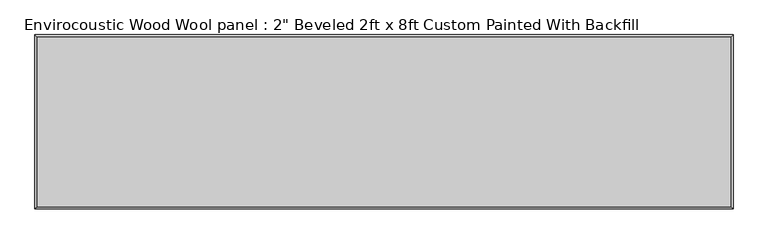
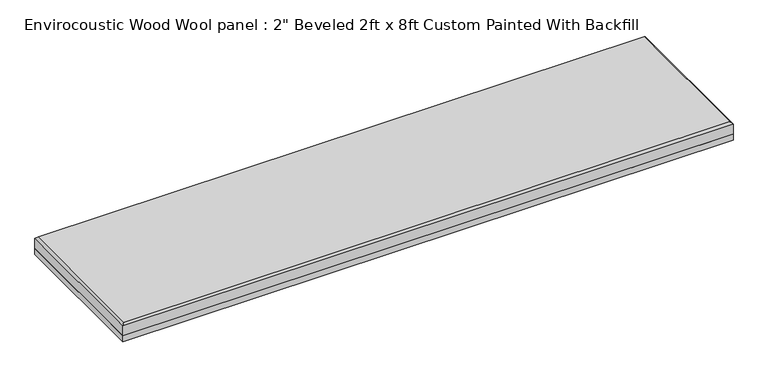
"""IFC4 building model written with IfcOpenShell, lengths in millimetres: proxy geometry."""

from ifc_helpers import new_model, si_unit, origin, origin_with_axes, place, context, project, spatial, polyline, outline, extrude, faceted_brep, source, transform, mapped, element, save


def proxy_c50622a4(model_context):
    return source(origin(), model_context, "Body", "SolidModel", [
        extrude(outline(polyline([(1219.2, 304.8), (1219.2, -304.8), (-1219.2, -304.8), (-1219.2, 304.8), (1219.2, 304.8)])), origin_with_axes(), (0.0, 0.0, 1.0), 25.4),
        faceted_brep([(1211.199, 296.799, 76.2), (-1211.199, 296.799, 76.2), (-1211.199, -296.799, 76.2), (1211.199, -296.799, 76.2), (-1219.2, 304.8, 25.4), (1219.2, 304.8, 25.4), (1219.2, -304.8, 25.4), (-1219.2, -304.8, 25.4), (-1219.2, -304.8, 68.199), (-1219.2, 304.8, 68.199), (1219.2, -304.8, 68.199), (1219.2, 304.8, 68.199)], [[[0, 1, 2, 3]], [[4, 5, 6, 7]], [[4, 7, 8, 9]], [[7, 6, 10, 8]], [[6, 5, 11, 10]], [[5, 4, 9, 11]], [[9, 1, 0, 11]], [[1, 9, 8, 2]], [[2, 8, 10, 3]], [[11, 0, 3, 10]]]),
    ])


if __name__ == "__main__":
    model = new_model("IFC4")
    model_context = context("Model", 3, world=origin())
    ifc_project = project(units=[si_unit("LENGTHUNIT", "METRE", prefix="MILLI")], contexts=[model_context])
    site = spatial("IfcSite", under=ifc_project)
    building = spatial("IfcBuilding", under=site)
    placement = place(None, origin())
    proxy_shape = proxy_c50622a4(model_context)
    element("IfcBuildingElementProxy", 1, Name="Envirocoustic Wood Wool panel : 2\" Beveled 2ft x 8ft Custom Painted With Backfill", ObjectType="Envirocoustic Wood Wool panel : 2\" Beveled 2ft x 8ft Custom Painted With Backfill", at=placement, inside=building, context=model_context, shape_type="MappedRepresentation", body=[
        mapped(proxy_shape, transform((0.0, 0.0, 0.0), x_axis=(1.0, 0.0, 0.0), y_axis=(0.0, 1.0, 0.0), z_axis=(0.0, 0.0, 1.0))),
    ])
    save(model, "model.ifc")
